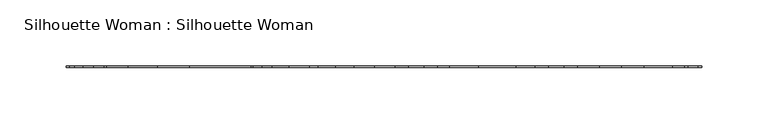
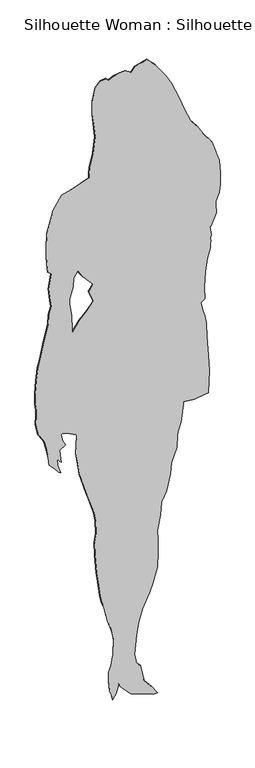
"""IFC4 building model written with IfcOpenShell, lengths in millimetres: proxy geometry, Silhouette Woman : Silhouette Woman."""

from ifc_helpers import new_model, si_unit, frame, origin, place, context, project, spatial, polyline, outline, extrude, source, transform, mapped, element, save


def silhouette_woman_silhouette_woman_d254445e(model_context):
    return source(origin(), model_context, "Body", "SweptSolid", [
        extrude(outline(polyline([(-1.1247617, 78.9268585), (20.7912127, 63.4888846), (45.3051089, 44.1876362), (87.8498597, 35.2209409), (100.7537676, 23.6378393), (107.1981597, 23.6378393), (123.9586204, 19.8014515), (174.2181571, 25.0225014), (206.433396, 30.2200254), (241.21967, 40.576424), (278.5736184, 58.6694539), (303.0505454, 67.7235307), (342.9906527, 79.3755294), (381.6553249, 80.7148203), (416.4550422, 80.7148203), (443.5231695, 79.5066018), (482.1794396, 87.2902847), (515.4589338, 89.7990639), (541.4476819, 102.8341249), (585.2561049, 113.2022864), (614.8969477, 115.8186927), (652.2559373, 130.0450874), (684.4762174, 131.3759762), (693.4966859, 132.6766175), (716.686415, 140.4401355), (736.0162305, 143.0430986), (764.3665145, 146.946703), (770.8109066, 146.946703), (768.1961806, 175.3070695), (772.0275271, 202.3785575), (773.3046427, 211.4023869), (832.5896892, 214.0574428), (875.1260378, 211.5351397), (929.2639727, 207.7390819), (965.3542489, 206.4972551), (987.2702233, 202.6591869), (1002.743486, 197.5238382), (1009.1895585, 196.2433618), (1025.9500192, 192.398572), (1033.6698464, 202.7196818), (1067.1823657, 201.4744942), (1107.1342359, 204.1043439), (1141.9272316, 209.3052288), (1167.6947175, 217.0721076), (1180.5835017, 217.0721076), (1185.737335, 218.3845118), (1194.7611643, 217.1073963), (1202.491074, 219.6952357), (1226.9864857, 214.5716499), (1226.9864857, 218.4382851), (1257.8960419, 232.6562777), (1283.6769712, 230.1121292), (1290.1213633, 230.1121292), (1312.0205335, 239.1712472), (1332.6392274, 241.7758907), (1366.1500663, 241.7758907), (1399.6642661, 239.2855155), (1421.5852817, 231.580812), (1430.6107915, 229.0148181), (1457.6890012, 220.0279579), (1487.3617719, 198.1556743), (1514.4500641, 181.4355435), (1535.0939643, 164.7070107), (1573.7821623, 148.0020037), (1602.1509308, 137.7279455), (1629.2325014, 126.1633284), (1653.7346347, 115.8842289), (1679.5306876, 101.7401746), (1719.5228878, 73.4369423), (1741.462388, 51.5545762), (1738.8963941, 42.5290664), (1736.3320805, 32.2146782), (1733.7694474, 20.6114116), (1720.8941066, 10.2835801), (1729.9364205, -5.171198), (1728.667707, -20.6394195), (1726.1084348, -34.820443), (1719.6808468, -47.7176292), (1726.133641, -54.1536193), (1724.8649276, -69.6218407), (1710.7040691, -82.5291095), (1675.9144342, -90.3077512), (1641.1147169, -90.3077512), (1602.4416426, -85.2480212), (1576.6607134, -82.7038727), (1532.8455688, -87.9165204), (1498.0576144, -96.9840406), (1481.3038753, -98.2947644), (1469.7039695, -98.2947644), (1453.009045, -144.7313567), (1446.5965808, -169.2284487), (1413.1143089, -191.1830727), (1355.1366254, -208.0141108), (1316.4719532, -209.3534017), (1291.9832633, -209.3534017), (1273.937285, -208.119977), (1257.1801851, -206.8529439), (1249.4452342, -205.574148), (1241.7002007, -196.5620816), (1201.7533718, -203.0585665), (1168.2374916, -199.2356221), (1152.7675898, -196.6780302), (1130.8650587, -203.1509894), (1106.3780491, -204.4717957), (1054.8397165, -217.4277965), (1018.7612032, -225.2081186), (995.5697937, -231.6827582), (962.063996, -235.5930842), (927.2676395, -238.2162123), (900.2011927, -238.2162123), (880.8646556, -235.6989504), (867.9758714, -235.6989504), (842.1999834, -237.0382413), (830.5967168, -234.4756082), (812.5473777, -230.6324987), (807.3868227, -226.7725851), (788.0385227, -215.1978856), (768.6986247, -210.0675781), (740.3348974, -203.6601551), (718.4206035, -201.1109654), (704.2244563, -186.9517873), (691.3222287, -176.6575641), (688.7377502, -171.5054113), (711.9476443, -179.2084343), (728.7047442, -180.4754673), (715.8025166, -170.1812441), (750.6072752, -174.0025082), (760.8981376, -158.5225238), (773.7970043, -166.2389902), (791.8463434, -170.0820996), (793.131861, -167.5026624), (790.5373, -154.617239), (777.6182684, -131.4342316), (775.0388311, -130.148714), (726.064812, -132.7903266), (696.4138866, -127.6734625), (668.0535202, -123.8437964), (612.6099027, -107.1606347), (567.478993, -91.7529082), (546.8485362, -85.3354028), (524.9325618, -81.4973346), (490.1311641, -80.2538274), (466.9363938, -84.1507101), (430.8461176, -82.9088833), (381.8636964, -79.1061038), (356.0810867, -75.2730769), (316.1191341, -70.169656), (298.0697949, -66.3265466), (277.4376577, -58.6201627), (238.7595422, -49.6484262), (212.9702109, -40.6598856), (197.4986286, -36.8134153), (182.0287268, -34.2558235), (145.9418114, -35.5917535), (140.7862977, -35.5917535), (138.2102213, -36.8907144), (113.7265726, -40.7892776), (98.2684336, -47.2538346), (75.068622, -47.2538346), (45.4210576, -44.7449748), (32.5255517, -39.6062653), (19.6334067, -37.0453126), (32.510428, -28.0063595), (45.3941709, -24.1229201), (56.9907159, -21.5300395), (51.8318413, -18.9590044), (41.5107315, -11.2391772), (20.144813, 10.0711009), (7.9276347, 44.1389041), (-1.1247617, 67.3269528), (-1.1247617, 78.9268585)]), holes=[polyline([(1205.5057388, -115.4097927), (1187.441276, -99.9667775), (1174.537368, -88.3836759), (1159.0859507, -100.0037466), (1129.4249429, -87.153612), (1120.411196, -93.609767), (1104.9614592, -106.5187162), (1089.5167635, -123.2943006), (1063.7627209, -141.3419593), (1086.9625325, -141.3419593), (1090.8308482, -142.6056315), (1106.2973892, -142.6056315), (1142.3927066, -147.695609), (1156.5703692, -147.695609), (1168.1652338, -143.81385), (1186.20281, -138.6348105), (1209.4009411, -137.3156846), (1210.6881391, -136.0251258), (1223.5651604, -126.9861727), (1217.1157271, -123.1279395), (1205.5057388, -115.4097927)])]), frame((0.0, -1.0, 0.0), z_axis=(0.0, 1.0, 0.0), x_axis=(0.0, 0.0, 1.0)), (0.0, 0.0, 1.0), 1.0),
    ])


if __name__ == "__main__":
    model = new_model("IFC4")
    model_context = context("Model", 3, world=origin())
    ifc_project = project(units=[si_unit("LENGTHUNIT", "METRE", prefix="MILLI")], contexts=[model_context])
    site = spatial("IfcSite", under=ifc_project)
    building = spatial("IfcBuilding", under=site)
    placement = place(None, origin())
    silhouette_woman_silhouette_woman_shape = silhouette_woman_silhouette_woman_d254445e(model_context)
    element("IfcBuildingElementProxy", 1, Name="Silhouette Woman : Silhouette Woman", ObjectType="Silhouette Woman : Silhouette Woman", at=placement, inside=building, context=model_context, shape_type="MappedRepresentation", body=[
        mapped(silhouette_woman_silhouette_woman_shape, transform((0.0, 0.0, 0.0), x_axis=(1.0, 0.0, 0.0), y_axis=(0.0, 1.0, 0.0), z_axis=(0.0, 0.0, 1.0))),
    ])
    save(model, "model.ifc")
